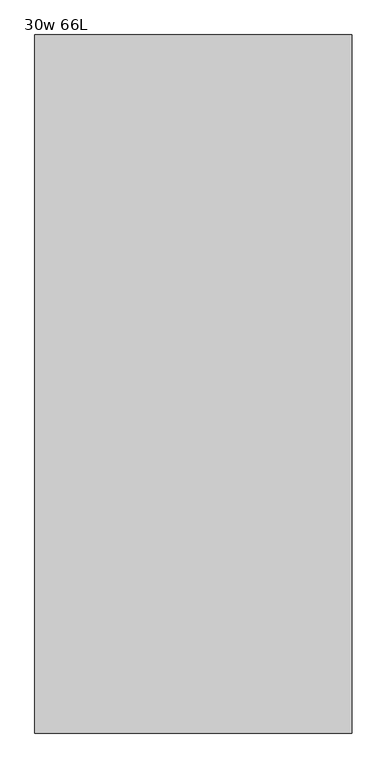
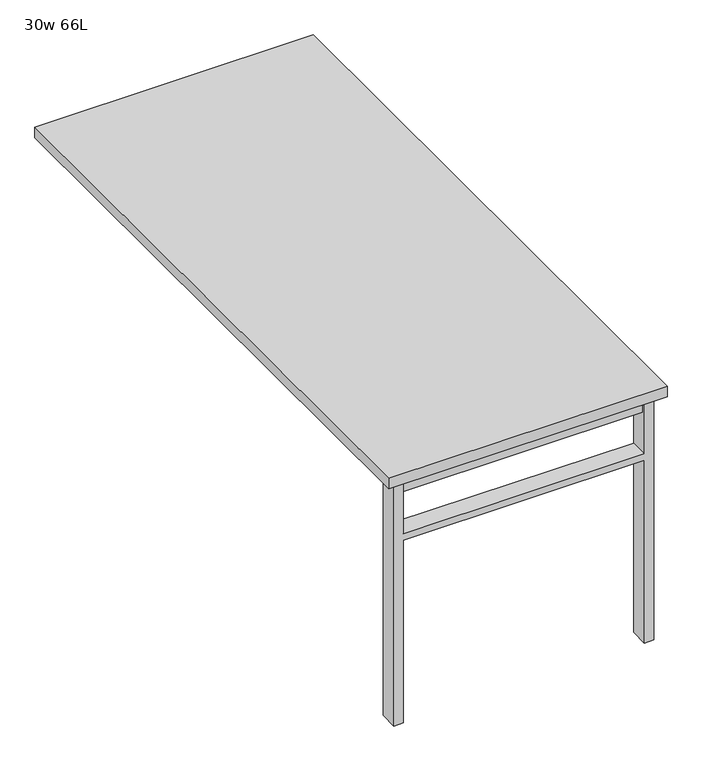
"""IFC4 building model written with IfcOpenShell, lengths in millimetres: furniture geometry, 30w 66L."""

from ifc_helpers import new_model, si_unit, frame, origin, place, context, project, spatial, polyline, outline, extrude, source, transform, mapped, element, save


def furniture_30w_66l_afd0f819(model_context):
    return source(origin(), model_context, "Body", "SweptSolid", [
        extrude(outline(polyline([(-330.2, -777.875), (330.2, -777.875), (330.2, -809.625), (-330.2, -809.625), (-330.2, -777.875)])), frame((0.0, 0.0, 661.9875), z_axis=(0.0, 0.0, 1.0), x_axis=(1.0, 0.0, 0.0)), (0.0, 0.0, 1.0), 44.45),
        extrude(outline(polyline([(528.6375, 330.2), (0.0, 330.2), (0.0, 355.6), (706.4375, 355.6), (706.4375, 330.2), (547.6875, 330.2), (547.6875, -330.2), (706.4375, -330.2), (706.4375, -355.6), (0.0, -355.6), (0.0, -330.2), (528.6375, -330.2), (528.6375, 330.2)])), frame((0.0, -819.15, 0.0), z_axis=(0.0, 1.0, 0.0), x_axis=(0.0, 0.0, 1.0)), (0.0, 0.0, 1.0), 50.8),
        extrude(outline(polyline([(-381.0, -838.2), (-381.0, 838.2), (381.0, 838.2), (381.0, -838.2), (-381.0, -838.2)])), frame((0.0, 0.0, 706.4375), z_axis=(0.0, 0.0, 1.0), x_axis=(1.0, 0.0, 0.0)), (0.0, 0.0, 1.0), 30.1625),
    ])


if __name__ == "__main__":
    model = new_model("IFC4")
    model_context = context("Model", 3, world=origin())
    ifc_project = project(units=[si_unit("LENGTHUNIT", "METRE", prefix="MILLI")], contexts=[model_context])
    site = spatial("IfcSite", under=ifc_project)
    building = spatial("IfcBuilding", under=site)
    placement = place(None, origin())
    furniture_30w_66l_shape = furniture_30w_66l_afd0f819(model_context)
    element("IfcFurniture", 1, ObjectType="30w 66L", at=placement, inside=building, context=model_context, shape_type="MappedRepresentation", body=[
        mapped(furniture_30w_66l_shape, transform((0.0, 0.0, 0.0), x_axis=(1.0, 0.0, 0.0), y_axis=(0.0, 1.0, 0.0), z_axis=(0.0, 0.0, 1.0))),
    ])
    save(model, "model.ifc")
